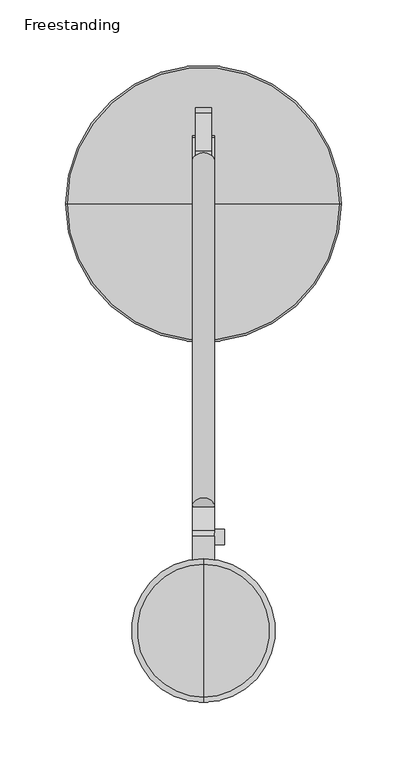
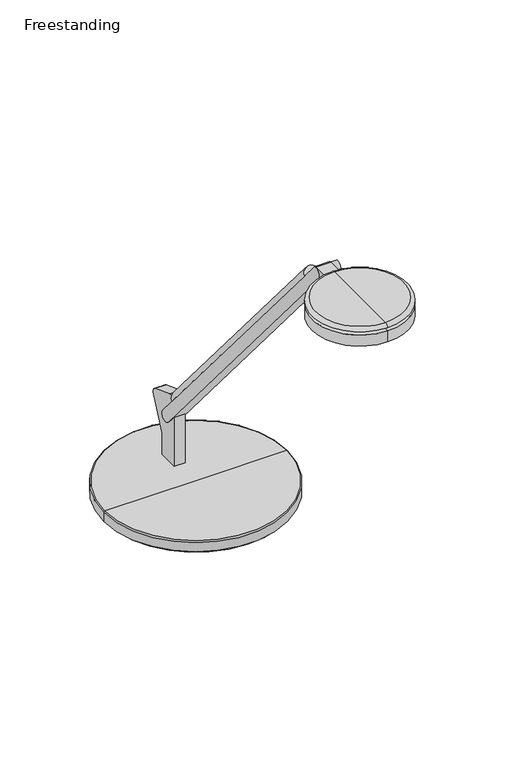
"""IFC4 building model written with IfcOpenShell, lengths in millimetres: furniture geometry, Freestanding."""

from ifc_helpers import new_model, si_unit, point, frame, frame_2d, origin, place, context, project, spatial, polyline, circle_curve, ellipse_curve, trimmed, segment, composite_curve, outline, extrude, source, transform, mapped, element, save
from ifc_brep_helpers import plane_surface, cylinder_surface, revolved_surface, advanced_brep


def freestanding_f6508700(model_context):
    return source(origin(), model_context, "Body", "SolidModel", [
        extrude(outline(composite_curve([segment(polyline([(8.509, -161.2861314), (-8.509, -161.2861314)]), True, "CONTINUOUS"), segment(trimmed(circle_curve(frame_2d((0.0, -161.2861314)), 8.509), [point((-8.509, -161.2861314))], [point((8.509, -161.2861314))], False, "CARTESIAN"), True, "CONTINUOUS")], self_intersect=False)), frame((0.0, 59.9275977, 934.0367561), z_axis=(0.0, -0.6453157173859881, 0.7639159802586981), x_axis=(1.0, 0.0, 0.0)), (0.0, 0.0, 1.0), 407.9752226),
        extrude(outline(composite_curve([segment(polyline([(1165.3599936, -383.6426805), (1162.4056, -381.1636499), (1162.4056, -366.3659959), (1151.5508717, -366.3659959), (1151.5508717, -352.0202702), (1154.3820582, -354.4102311)]), True, "CONTINUOUS"), segment(trimmed(circle_curve(frame_2d((1158.6105852, -349.1496158)), 6.7494084), [point((1154.3820582, -354.4102311))], [point((1165.3599936, -349.1496158))], True, "CARTESIAN"), True, "CONTINUOUS"), segment(polyline([(1165.3599936, -349.1496158), (1165.3599936, -383.6426805)]), True, "CONTINUOUS")], self_intersect=False)), frame((8.509, 0.0, 0.0), z_axis=(-1.0, 0.0, 0.0), x_axis=(0.0, 0.0, 1.0)), (0.0, 0.0, 1.0), 17.018),
        extrude(outline(composite_curve([segment(trimmed(circle_curve(frame_2d((-349.5772033, 1158.8861373)), 5.8982953), [point((-343.678908, 1158.8861373))], [point((-355.4754986, 1158.8861373))], False, "CARTESIAN"), True, "CONTINUOUS"), segment(trimmed(circle_curve(frame_2d((-349.5772033, 1158.8861373)), 5.8982953), [point((-355.4754986, 1158.8861373))], [point((-343.678908, 1158.8861373))], False, "CARTESIAN"), True, "CONTINUOUS")], self_intersect=False)), frame((8.509, 0.0, 0.0), z_axis=(1.0, 0.0, 0.0), x_axis=(0.0, 1.0, 0.0)), (0.0, 0.0, 1.0), 7.5184),
        extrude(outline(composite_curve([segment(trimmed(circle_curve(frame_2d((-57.2760289, 827.3462287)), 6.4968459), [point((-63.6335559, 826.008))], [point((-54.9477675, 833.4115568))], False, "CARTESIAN"), True, "CONTINUOUS"), segment(polyline([(-54.9477675, 833.4115568), (-26.3337634, 822.4276697)]), True, "CONTINUOUS"), segment(trimmed(circle_curve(frame_2d((-28.6602337, 816.3670075)), 6.491848), [point((-26.3337634, 822.4276697))], [point((-24.0322898, 811.8144009))], False, "CARTESIAN"), True, "CONTINUOUS"), segment(polyline([(-24.0322898, 811.8144009), (-39.5289559, 777.008319), (-39.5289559, 750.951), (-63.6335559, 750.951), (-63.6335559, 826.008)]), True, "CONTINUOUS")], self_intersect=False)), frame((-6.223, 0.0, 0.0), z_axis=(1.0, 0.0, 0.0), x_axis=(0.0, 1.0, 0.0)), (0.0, 0.0, 1.0), 12.446),
        advanced_brep(
        [(0.0, -95.563788, 750.9476331), (103.8479, -95.563788, 750.9476331), (-103.8479, -95.563788, 750.9476331), (-93.0792702, -95.563788, 731.9816908), (93.0792702, -95.563788, 731.9816908), (0.0, -95.563788, 731.9816908), (-93.0792702, -95.563788, 732.8852565), (93.0792702, -95.563788, 732.8852565), (-95.8939876, -95.563788, 732.8852565), (95.8939876, -95.563788, 732.8852565), (-102.4300117, -95.563788, 735.7952819), (102.4300117, -95.563788, 735.7952819), (-102.4300117, -95.563788, 738.6286331), (102.4300117, -95.563788, 738.6286331), (-105.3308643, -95.563788, 738.6286331), (105.3308643, -95.563788, 738.6286331), (-105.3308643, -95.563788, 749.4646687), (105.3308643, -95.563788, 749.4646687)],
        [
            (0, 1),
            (1, 2, circle_curve(frame((0.0, -95.563788, 750.9476331), z_axis=(0.0, 0.0, 1.0), x_axis=(1.0, 0.0, 0.0)), 103.8479)),
            (2, 0),
            (2, 1, circle_curve(frame((0.0, -95.563788, 750.9476331), z_axis=(0.0, 0.0, 1.0), x_axis=(1.0, 0.0, 0.0)), 103.8479)),
            (3, 4, circle_curve(frame((0.0, -95.563788, 731.9816908), z_axis=(0.0, 0.0, -1.0), x_axis=(1.0, 0.0, 0.0)), 93.0792702)),
            (4, 5),
            (5, 3),
            (4, 3, circle_curve(frame((0.0, -95.563788, 731.9816908), z_axis=(0.0, 0.0, -1.0), x_axis=(1.0, 0.0, 0.0)), 93.0792702)),
            (6, 7, circle_curve(frame((0.0, -95.563788, 732.8852565), z_axis=(0.0, 0.0, -1.0), x_axis=(1.0, 0.0, 0.0)), 93.0792702)),
            (7, 4),
            (3, 6),
            (7, 6, circle_curve(frame((0.0, -95.563788, 732.8852565), z_axis=(0.0, 0.0, -1.0), x_axis=(1.0, 0.0, 0.0)), 93.0792702)),
            (8, 9, circle_curve(frame((0.0, -95.563788, 732.8852565), z_axis=(0.0, 0.0, -1.0), x_axis=(1.0, 0.0, 0.0)), 95.8939876)),
            (9, 7),
            (6, 8),
            (9, 8, circle_curve(frame((0.0, -95.563788, 732.8852565), z_axis=(0.0, 0.0, -1.0), x_axis=(1.0, 0.0, 0.0)), 95.8939876)),
            (10, 11, circle_curve(frame((0.0, -95.563788, 735.7952819), z_axis=(0.0, 0.0, -1.0), x_axis=(1.0, 0.0, 0.0)), 102.4300117)),
            (11, 9),
            (8, 10),
            (11, 10, circle_curve(frame((0.0, -95.563788, 735.7952819), z_axis=(0.0, 0.0, -1.0), x_axis=(1.0, 0.0, 0.0)), 102.4300117)),
            (12, 13, circle_curve(frame((0.0, -95.563788, 738.6286331), z_axis=(0.0, 0.0, -1.0), x_axis=(1.0, 0.0, 0.0)), 102.4300117)),
            (13, 11),
            (10, 12),
            (13, 12, circle_curve(frame((0.0, -95.563788, 738.6286331), z_axis=(0.0, 0.0, -1.0), x_axis=(1.0, 0.0, 0.0)), 102.4300117)),
            (14, 15, circle_curve(frame((0.0, -95.563788, 738.6286331), z_axis=(0.0, 0.0, -1.0), x_axis=(1.0, 0.0, 0.0)), 105.3308643)),
            (15, 13),
            (12, 14),
            (15, 14, circle_curve(frame((0.0, -95.563788, 738.6286331), z_axis=(0.0, 0.0, -1.0), x_axis=(1.0, 0.0, 0.0)), 105.3308643)),
            (16, 17, circle_curve(frame((0.0, -95.563788, 749.4646687), z_axis=(0.0, 0.0, -1.0), x_axis=(1.0, 0.0, 0.0)), 105.3308643)),
            (17, 15),
            (14, 16),
            (17, 16, circle_curve(frame((0.0, -95.563788, 749.4646687), z_axis=(0.0, 0.0, -1.0), x_axis=(1.0, 0.0, 0.0)), 105.3308643)),
            (1, 17, circle_curve(frame((103.8479, -95.563788, 749.4646687), z_axis=(0.0, 1.0, 0.0), x_axis=(1.0, 0.0, 0.0)), 1.4829643)),
            (16, 2, circle_curve(frame((-103.8479, -95.563788, 749.4646687), z_axis=(0.0, 1.0, 0.0), x_axis=(-1.0, 0.0, 0.0)), 1.4829643)),
        ],
        [
            plane_surface(frame((0.0, -95.563788, 750.9476331), z_axis=(0.0, 0.0, 1.0), x_axis=(1.0, 0.0, 0.0))),
            plane_surface(frame((0.0, -95.563788, 731.9816908), z_axis=(0.0, 0.0, -1.0), x_axis=(1.0, 0.0, 0.0))),
            cylinder_surface(frame((0.0, -95.563788, 757.2976331), z_axis=(0.0, 0.0, 1.0), x_axis=(1.0, 0.0, 0.0)), 93.0792702),
            plane_surface(frame((0.0, -95.563788, 732.8852565), z_axis=(0.0, 0.0, -1.0), x_axis=(1.0, 0.0, 0.0))),
            revolved_surface(polyline([(95.8939876, -95.563788, 732.8852565), (102.4300117, -95.563788, 735.7952819)]), (0.0, -95.563788, 757.2976331), (0.0, 0.0, 1.0)),
            cylinder_surface(frame((0.0, -95.563788, 757.2976331), z_axis=(0.0, 0.0, 1.0), x_axis=(1.0, 0.0, 0.0)), 102.4300117),
            plane_surface(frame((0.0, -95.563788, 738.6286331), z_axis=(0.0, 0.0, -1.0), x_axis=(1.0, 0.0, 0.0))),
            cylinder_surface(frame((0.0, -95.563788, 757.2976331), z_axis=(0.0, 0.0, 1.0), x_axis=(1.0, 0.0, 0.0)), 105.3308643),
            revolved_surface(trimmed(ellipse_curve(frame((103.8479, -95.563788, 749.4646687), z_axis=(0.0, -1.0, 0.0), x_axis=(1.0, 0.0, 0.0)), 1.4829643, 1.4829643), [point((105.3308643, -95.563788, 749.4646687))], [point((103.8479, -95.563788, 750.9476331))], True, "CARTESIAN"), (0.0, -95.563788, 757.2976331), (0.0, 0.0, 1.0)),
        ],
        [
            (0, [[1, 2, 3]]),
            (0, [[-3, 4, -1]]),
            (1, [[5, 6, 7]]),
            (1, [[8, -7, -6]]),
            (2, [[9, 10, -5, 11]]),
            (2, [[12, -11, -8, -10]]),
            (3, [[13, 14, -9, 15]]),
            (3, [[16, -15, -12, -14]]),
            (4, [[17, 18, -13, 19]]),
            (4, [[20, -19, -16, -18]]),
            (5, [[21, 22, -17, 23]]),
            (5, [[24, -23, -20, -22]]),
            (6, [[25, 26, -21, 27]]),
            (6, [[28, -27, -24, -26]]),
            (7, [[29, 30, -25, 31]]),
            (7, [[32, -31, -28, -30]]),
            (8, [[-2, 33, -29, 34]]),
            (8, [[-4, -34, -32, -33]]),
        ],
    ),
        advanced_brep(
        [(0.0, -366.3659959, 1166.2156), (0.0, -475.8399959, 1166.2156), (0.0, -471.7839412, 1170.0256), (0.0, -370.4220506, 1170.0256), (0.0, -384.354515, 1166.2156), (0.0, -457.8514768, 1166.2156), (0.0, -381.6867242, 1162.4056), (0.0, -460.5192676, 1162.4056), (0.0, -366.3659959, 1162.4056), (0.0, -475.8399959, 1162.4056), (0.0, -366.3659959, 1149.0706), (0.0, -475.8399959, 1149.0706), (0.0, -421.1029959, 1149.0706), (0.0, -421.1029959, 1170.0256)],
        [
            (0, 1, circle_curve(frame((0.0, -421.1029959, 1166.2156), z_axis=(0.0, 0.0, 1.0), x_axis=(0.0, -1.0, 0.0)), 54.737)),
            (1, 2, circle_curve(frame((0.0, -471.7839412, 1165.9616), z_axis=(-1.0, 0.0, 0.0), x_axis=(0.0, -1.0, 0.0)), 4.064)),
            (2, 3, circle_curve(frame((0.0, -421.1029959, 1170.0256), z_axis=(0.0, 0.0, -1.0), x_axis=(0.0, -1.0, 0.0)), 50.6809453)),
            (3, 0, circle_curve(frame((0.0, -370.4220506, 1165.9616), z_axis=(-1.0, 0.0, 0.0), x_axis=(0.0, 1.0, 0.0)), 4.064)),
            (1, 0, circle_curve(frame((0.0, -421.1029959, 1166.2156), z_axis=(0.0, 0.0, 1.0), x_axis=(0.0, -1.0, 0.0)), 54.737)),
            (3, 2, circle_curve(frame((0.0, -421.1029959, 1170.0256), z_axis=(0.0, 0.0, -1.0), x_axis=(0.0, -1.0, 0.0)), 50.6809453)),
            (4, 5, circle_curve(frame((0.0, -421.1029959, 1166.2156), z_axis=(0.0, 0.0, 1.0), x_axis=(0.0, -1.0, 0.0)), 36.7484809)),
            (5, 1),
            (0, 4),
            (5, 4, circle_curve(frame((0.0, -421.1029959, 1166.2156), z_axis=(0.0, 0.0, 1.0), x_axis=(0.0, -1.0, 0.0)), 36.7484809)),
            (6, 7, circle_curve(frame((0.0, -421.1029959, 1162.4056), z_axis=(0.0, 0.0, 1.0), x_axis=(0.0, -1.0, 0.0)), 39.4162717)),
            (7, 5),
            (4, 6),
            (7, 6, circle_curve(frame((0.0, -421.1029959, 1162.4056), z_axis=(0.0, 0.0, 1.0), x_axis=(0.0, -1.0, 0.0)), 39.4162717)),
            (8, 9, circle_curve(frame((0.0, -421.1029959, 1162.4056), z_axis=(0.0, 0.0, 1.0), x_axis=(0.0, -1.0, 0.0)), 54.737)),
            (9, 7),
            (6, 8),
            (9, 8, circle_curve(frame((0.0, -421.1029959, 1162.4056), z_axis=(0.0, 0.0, 1.0), x_axis=(0.0, -1.0, 0.0)), 54.737)),
            (10, 11, circle_curve(frame((0.0, -421.1029959, 1149.0706), z_axis=(0.0, 0.0, 1.0), x_axis=(0.0, -1.0, 0.0)), 54.737)),
            (11, 9),
            (8, 10),
            (11, 10, circle_curve(frame((0.0, -421.1029959, 1149.0706), z_axis=(0.0, 0.0, 1.0), x_axis=(0.0, -1.0, 0.0)), 54.737)),
            (12, 11),
            (10, 12),
            (2, 13),
            (13, 3),
        ],
        [
            revolved_surface(trimmed(ellipse_curve(frame((0.0, -471.7839412, 1165.9616), z_axis=(1.0, 0.0, 0.0), x_axis=(0.0, -1.0, 0.0)), 4.064, 4.064), [point((0.0, -471.7839412, 1170.0256))], [point((0.0, -475.8399959, 1166.2156))], True, "CARTESIAN"), (0.0, -421.1029959, 1170.0256), (0.0, 0.0, -1.0)),
            plane_surface(frame((0.0, -421.1029959, 1166.2156), z_axis=(0.0, 0.0, -1.0), x_axis=(0.0, -1.0, 0.0))),
            revolved_surface(polyline([(0.0, -457.8514768, 1166.2156), (0.0, -460.5192676, 1162.4056)]), (0.0, -421.1029959, 1170.0256), (0.0, 0.0, -1.0)),
            plane_surface(frame((0.0, -421.1029959, 1162.4056), z_axis=(0.0, 0.0, 1.0), x_axis=(0.0, -1.0, 0.0))),
            cylinder_surface(frame((0.0, -421.1029959, 1170.0256), z_axis=(0.0, 0.0, -1.0), x_axis=(0.0, -1.0, 0.0)), 54.737),
            plane_surface(frame((0.0, -421.1029959, 1149.0706), z_axis=(0.0, 0.0, -1.0), x_axis=(0.0, -1.0, 0.0))),
            plane_surface(frame((0.0, -421.1029959, 1170.0256), z_axis=(0.0, 0.0, 1.0), x_axis=(0.0, -1.0, 0.0))),
        ],
        [
            (0, [[1, 2, 3, 4]]),
            (0, [[5, -4, 6, -2]]),
            (1, [[7, 8, -1, 9]]),
            (1, [[10, -9, -5, -8]]),
            (2, [[11, 12, -7, 13]]),
            (2, [[14, -13, -10, -12]]),
            (3, [[15, 16, -11, 17]]),
            (3, [[18, -17, -14, -16]]),
            (4, [[19, 20, -15, 21]]),
            (4, [[22, -21, -18, -20]]),
            (5, [[23, -19, 24]]),
            (5, [[-24, -22, -23]]),
            (6, [[-3, 25, 26]]),
            (6, [[-6, -26, -25]]),
        ],
    ),
        extrude(outline(composite_curve([segment(trimmed(circle_curve(frame_2d((-50.3508694, 804.4209036)), 6.6004988), [point((-45.3086429, 808.6803092))], [point((-55.394567, 800.16324))], False, "CARTESIAN"), True, "CONTINUOUS"), segment(polyline([(-55.394567, 800.16324), (-354.4102311, 1154.3820582)]), True, "CONTINUOUS"), segment(trimmed(circle_curve(frame_2d((-349.4277131, 1158.5880769)), 6.5204355), [point((-354.4102311, 1154.3820582))], [point((-344.4466482, 1162.7958164))], False, "CARTESIAN"), True, "CONTINUOUS"), segment(polyline([(-344.4466482, 1162.7958164), (-45.3086429, 808.6803092)]), True, "CONTINUOUS")], self_intersect=False)), frame((-8.509, 0.0, 0.0), z_axis=(1.0, 0.0, 0.0), x_axis=(0.0, 1.0, 0.0)), (0.0, 0.0, 1.0), 17.018),
    ])


if __name__ == "__main__":
    model = new_model("IFC4")
    model_context = context("Model", 3, world=origin())
    ifc_project = project(units=[si_unit("LENGTHUNIT", "METRE", prefix="MILLI")], contexts=[model_context])
    site = spatial("IfcSite", under=ifc_project)
    building = spatial("IfcBuilding", under=site)
    placement = place(None, origin())
    freestanding_shape = freestanding_f6508700(model_context)
    element("IfcFurniture", 1, ObjectType="Freestanding", at=placement, inside=building, context=model_context, shape_type="MappedRepresentation", body=[
        mapped(freestanding_shape, transform((0.0, 0.0, 0.0), x_axis=(1.0, 0.0, 0.0), y_axis=(0.0, 1.0, 0.0), z_axis=(0.0, 0.0, 1.0))),
    ])
    save(model, "model.ifc")
